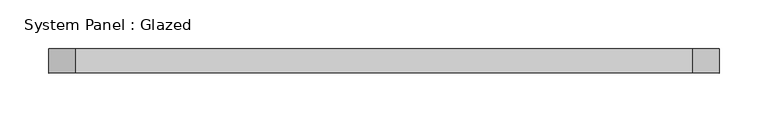
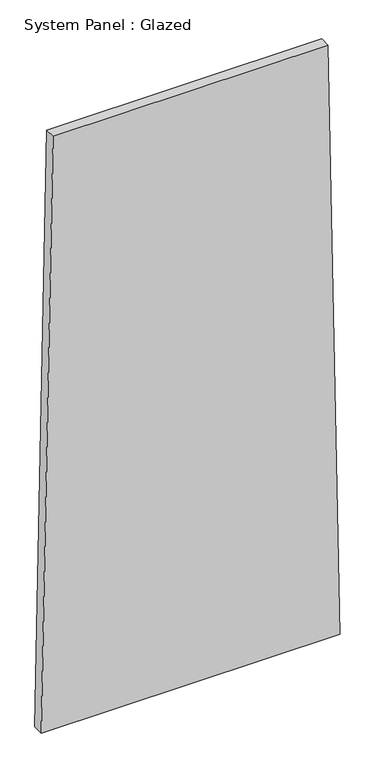
"""IFC4 building model written with IfcOpenShell, lengths in millimetres: plate geometry, System Panel : Glazed."""

from ifc_helpers import new_model, si_unit, frame, origin, place, context, project, spatial, polyline, outline, extrude, source, transform, mapped, element, save


def system_panel_glazed_bb03d387(model_context):
    return source(origin(), model_context, "Body", "SweptSolid", [
        extrude(outline(polyline([(0.0, -345.7946394), (0.0, 345.7946394), (1449.7313937, 318.3536218), (1449.7314777, -318.3526556), (0.0, -345.7946394)])), frame((0.0, -49.5, 0.0), z_axis=(0.0, 1.0, 0.0), x_axis=(0.0, 0.0, 1.0)), (0.0, 0.0, 1.0), 25.0),
    ])


if __name__ == "__main__":
    model = new_model("IFC4")
    model_context = context("Model", 3, world=origin())
    ifc_project = project(units=[si_unit("LENGTHUNIT", "METRE", prefix="MILLI")], contexts=[model_context])
    site = spatial("IfcSite", under=ifc_project)
    building = spatial("IfcBuilding", under=site)
    placement = place(None, origin())
    system_panel_glazed_shape = system_panel_glazed_bb03d387(model_context)
    element("IfcPlate", 1, ObjectType="System Panel : Glazed", at=placement, inside=building, context=model_context, shape_type="MappedRepresentation", body=[
        mapped(system_panel_glazed_shape, transform((0.0, 0.0, 0.0), x_axis=(1.0, 0.0, 0.0), y_axis=(0.0, 1.0, 0.0), z_axis=(0.0, 0.0, 1.0))),
    ])
    save(model, "model.ifc")
